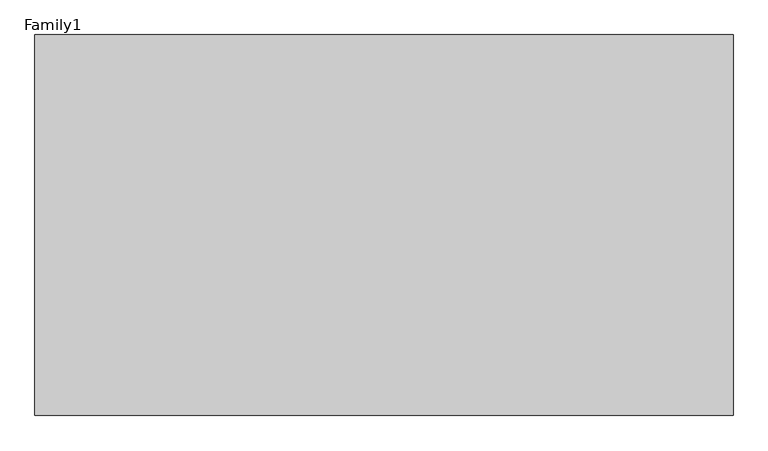
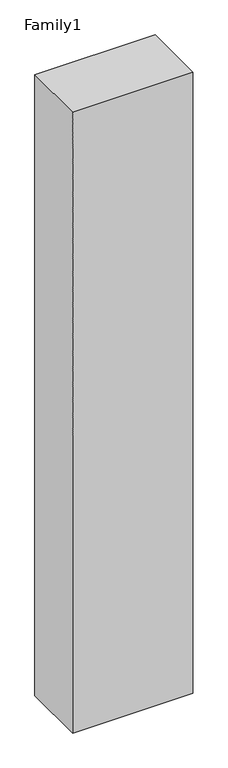
"""IFC4 building model written with IfcOpenShell, lengths in millimetres: proxy geometry, Family1."""

from ifc_helpers import new_model, si_unit, origin, origin_with_axes, place, context, project, spatial, polyline, outline, extrude, source, transform, mapped, element, save


def family1_5e629a30(model_context):
    return source(origin(), model_context, "Body", "SweptSolid", [
        extrude(outline(polyline([(5500.0, 0.0), (0.0, 0.0), (0.0, 3000.0), (5500.0, 3000.0), (5500.0, 0.0)])), origin_with_axes(), (0.0, 0.0, 1.0), 30045.0),
    ])


if __name__ == "__main__":
    model = new_model("IFC4")
    model_context = context("Model", 3, world=origin())
    ifc_project = project(units=[si_unit("LENGTHUNIT", "METRE", prefix="MILLI")], contexts=[model_context])
    site = spatial("IfcSite", under=ifc_project)
    building = spatial("IfcBuilding", under=site)
    placement = place(None, origin())
    family1_shape = family1_5e629a30(model_context)
    element("IfcBuildingElementProxy", 1, Name="Family1", ObjectType="Family1", at=placement, inside=building, context=model_context, shape_type="MappedRepresentation", body=[
        mapped(family1_shape, transform((0.0, 0.0, 0.0), x_axis=(1.0, 0.0, 0.0), y_axis=(0.0, 1.0, 0.0), z_axis=(0.0, 0.0, 1.0))),
    ])
    save(model, "model.ifc")
